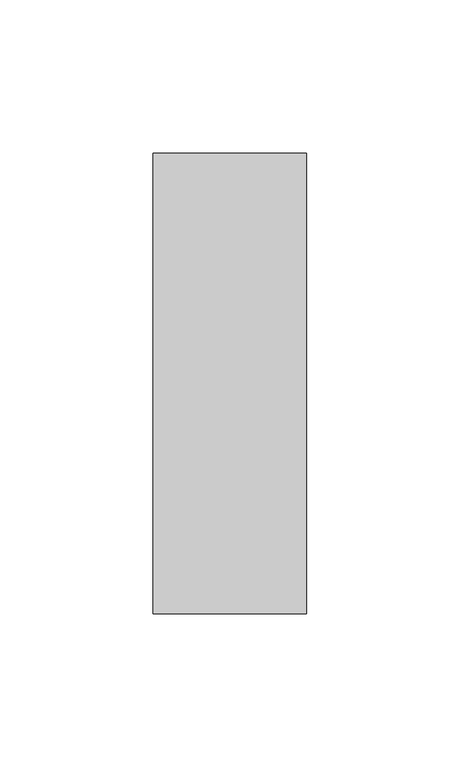
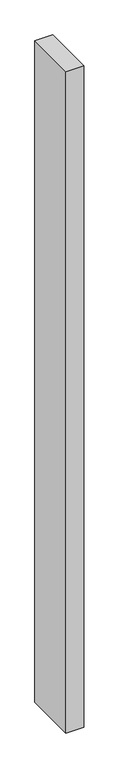
"""IFC4 building model written with IfcOpenShell, lengths in millimetres: member geometry."""

import ifcopenshell
import ifcopenshell.guid

model = None  # the IFC model being written
_history = None  # IfcOwnerHistory: only IFC2X3 demands one
_inside = {}  # id of a spatial element -> (the spatial element, [elements in it])
_under = {}  # id of a project, library or spatial element -> (it, [spatial elements below it])
_declared = {}  # id of a project -> (the project, [libraries it declares])
_typed = {}  # id of a type object -> (the type object, [elements of that type])
_made_of = {}  # id of a material, layer set ... -> (it, [elements and type objects made of it])


def new_model(schema):
    """Start an empty IFC model of exactly this schema.

    Asked for "IFC4X3", IfcOpenShell would pick the latest addendum, in which some entities
    have other attributes; the version numbers below select the first issue.
    IFC2X3 requires an IfcOwnerHistory on every rooted entity: one is made here for all.
    """
    global model, _history
    if schema == "IFC4X3":
        model = ifcopenshell.file(schema_version=(4, 3, 0, 0))
    else:
        model = ifcopenshell.file(schema=schema)
    _inside.clear()
    _under.clear()
    _declared.clear()
    _typed.clear()
    _made_of.clear()
    _history = None
    if model.schema == "IFC2X3":
        org = make("IfcOrganization", Name="unknown")
        user = make(
            "IfcPersonAndOrganization",
            ThePerson=make("IfcPerson", FamilyName="unknown"),
            TheOrganization=org,
        )
        app = make(
            "IfcApplication",
            ApplicationDeveloper=org,
            Version="unknown",
            ApplicationFullName="unknown",
            ApplicationIdentifier="unknown",
        )
        _history = make(
            "IfcOwnerHistory",
            OwningUser=user,
            OwningApplication=app,
            ChangeAction="ADDED",
            CreationDate=0,
        )
    return model


def make(cls, **values):
    """One entity of the class cls with the attributes given. An attribute that is None is left unset."""
    return model.create_entity(
        cls, **{name: value for name, value in values.items() if value is not None}
    )


def rooted(cls, **values):
    """An entity with a GlobalId (a new one), such as an element, a storey or a relation."""
    return make(cls, GlobalId=ifcopenshell.guid.new(), OwnerHistory=_history, **values)


def si_unit(unit_type, name, prefix=None):
    """IfcSIUnit, for example si_unit("LENGTHUNIT", "METRE", prefix="MILLI")."""
    return make("IfcSIUnit", UnitType=unit_type, Prefix=prefix, Name=name)


def assignment(units):
    """IfcUnitAssignment: the units of a project."""
    return None if units is None else make("IfcUnitAssignment", Units=units)


def point(xyz):
    """IfcCartesianPoint."""
    return None if xyz is None else make("IfcCartesianPoint", Coordinates=xyz)


def direction(xyz):
    """IfcDirection."""
    return None if xyz is None else make("IfcDirection", DirectionRatios=xyz)


def frame(location, z_axis=None, x_axis=None):
    """IfcAxis2Placement3D, a coordinate frame: its origin and axes. An axis left out is left unset."""
    return make(
        "IfcAxis2Placement3D",
        Location=point(location),
        Axis=direction(z_axis),
        RefDirection=direction(x_axis),
    )


def origin():
    """The frame at (0, 0, 0) with its axes left unset."""
    return frame((0.0, 0.0, 0.0))


def place(relative_to, where):
    """IfcLocalPlacement: puts the frame where relative to a parent placement (None: the world)."""
    return make(
        "IfcLocalPlacement", PlacementRelTo=relative_to, RelativePlacement=where
    )


def context(
    kind, dimensions, precision=None, world=None, true_north=None, identifier=None
):
    """IfcGeometricRepresentationContext, for example the 3D "Model" context."""
    return make(
        "IfcGeometricRepresentationContext",
        ContextIdentifier=identifier,
        ContextType=kind,
        CoordinateSpaceDimension=dimensions,
        Precision=precision,
        WorldCoordinateSystem=world,
        TrueNorth=true_north,
    )


def project(units=None, contexts=None):
    """IfcProject with its units and contexts."""
    return rooted(
        "IfcProject",
        Name="project",
        RepresentationContexts=contexts,
        UnitsInContext=assignment(units),
    )


def spatial(cls, under=None, at=None, **own):
    """A site, building, storey or space (cls), placed at a placement, below another one or the project."""
    s = rooted(cls, ObjectPlacement=at, **own)
    if under is not None:
        _under.setdefault(under.id(), (under, []))[1].append(s)
    return s


def polyline(points):
    """IfcPolyline through the points."""
    return make("IfcPolyline", Points=[point(p) for p in points])


def outline(outer, holes=None, kind="AREA"):
    """IfcArbitraryClosedProfileDef: a profile drawn as a closed curve; with holes, ...WithVoids."""
    if holes is None:
        return make("IfcArbitraryClosedProfileDef", ProfileType=kind, OuterCurve=outer)
    return make(
        "IfcArbitraryProfileDefWithVoids",
        ProfileType=kind,
        OuterCurve=outer,
        InnerCurves=holes,
    )


def extrude(swept, where, along, depth):
    """IfcExtrudedAreaSolid: the profile swept, set in the frame where, extruded along a direction by depth."""
    return make(
        "IfcExtrudedAreaSolid",
        SweptArea=swept,
        Position=where,
        ExtrudedDirection=direction(along),
        Depth=depth,
    )


def shape(context_of_items, identifier, shape_type, items):
    """IfcShapeRepresentation: the items that make up one representation, for example the "Body"."""
    return make(
        "IfcShapeRepresentation",
        ContextOfItems=context_of_items,
        RepresentationIdentifier=identifier,
        RepresentationType=shape_type,
        Items=items,
    )


def source(mapping_origin, context_of_items, identifier, shape_type, items):
    """IfcRepresentationMap: a shape defined once, which mapped items show again and again."""
    return make(
        "IfcRepresentationMap",
        MappingOrigin=mapping_origin,
        MappedRepresentation=shape(context_of_items, identifier, shape_type, items),
    )


def transform(
    local_origin,
    x_axis=None,
    y_axis=None,
    z_axis=None,
    scale=None,
    scale2=None,
    scale3=None,
    uniform=True,
):
    """IfcCartesianTransformationOperator3D, or its non-uniform kind. x_axis, y_axis, z_axis: its Axis1, 2, 3."""
    if uniform:
        return make(
            "IfcCartesianTransformationOperator3D",
            Axis1=direction(x_axis),
            Axis2=direction(y_axis),
            LocalOrigin=point(local_origin),
            Scale=scale,
            Axis3=direction(z_axis),
        )
    return make(
        "IfcCartesianTransformationOperator3DnonUniform",
        Axis1=direction(x_axis),
        Axis2=direction(y_axis),
        LocalOrigin=point(local_origin),
        Scale=scale,
        Axis3=direction(z_axis),
        Scale2=scale2,
        Scale3=scale3,
    )


def mapped(mapping_source, mapping_target):
    """IfcMappedItem: shows the shape of a source again, moved by a transform."""
    return make(
        "IfcMappedItem", MappingSource=mapping_source, MappingTarget=mapping_target
    )


def made_of(thing, what):
    """Note that an element or type object is made of a material, layer set ...; save() writes the relation."""
    if what is not None:
        _made_of.setdefault(what.id(), (what, []))[1].append(thing)
    return thing


def element(
    cls,
    number,
    at=None,
    inside=None,
    cuts=None,
    type_object=None,
    material=None,
    context=None,
    identifier="Body",
    shape_type=None,
    held_by="IfcProductDefinitionShape",
    body=None,
    shapes=None,
    **own,
):
    """One element of the class cls, such as IfcWall. Its Tag is "e" and its number.

    at: its placement. inside: the storey or other place that contains it. cuts: it is an
    opening in that element (IfcRelVoidsElement). A single representation is given by context,
    identifier, shape_type and body (its items); several are given by shapes. held_by: the class
    of the entity that holds the representations. save() writes the other relations.
    """
    e = rooted(cls, Tag="e%d" % number, ObjectPlacement=at, **own)
    if body is not None:
        shapes = [shape(context, identifier, shape_type, body)]
    if shapes is not None:
        e.Representation = make(held_by, Representations=shapes)
    if inside is not None:
        _inside.setdefault(inside.id(), (inside, []))[1].append(e)
    if cuts is not None:
        rooted(
            "IfcRelVoidsElement", RelatingBuildingElement=cuts, RelatedOpeningElement=e
        )
    if type_object is not None:
        _typed.setdefault(type_object.id(), (type_object, []))[1].append(e)
    return made_of(e, material)


def aggregate(whole, parts):
    """IfcRelAggregates: a whole, such as a stair, and the parts it consists of."""
    return rooted("IfcRelAggregates", RelatingObject=whole, RelatedObjects=parts)


def save(model, path):
    """Write the relations noted so far, then the file.

    IfcRelAggregates (storeys below a building ...), IfcRelContainedInSpatialStructure (elements
    in a storey), IfcRelDefinesByType, IfcRelAssociatesMaterial and IfcRelDeclares: one each for
    every whole, place, type object, material and project.
    """
    for whole, parts in _under.values():
        aggregate(whole, parts)
    for where, things in _inside.values():
        rooted(
            "IfcRelContainedInSpatialStructure",
            RelatedElements=things,
            RelatingStructure=where,
        )
    for kind, things in _typed.values():
        rooted("IfcRelDefinesByType", RelatedObjects=things, RelatingType=kind)
    for what, things in _made_of.values():
        rooted("IfcRelAssociatesMaterial", RelatedObjects=things, RelatingMaterial=what)
    for by, libraries in _declared.values():
        rooted("IfcRelDeclares", RelatingContext=by, RelatedDefinitions=libraries)
    model.write(path)


def member_e1845f1f(model_context):
    return source(origin(), model_context, "Body", "SweptSolid", [
        extrude(outline(polyline([(0.0, 75.0), (0.0, -75.0), (-50.0, -75.0), (-50.0, 75.0), (0.0, 75.0)])), frame((0.0, 0.0, -1950.0), z_axis=(0.0, 0.0, 1.0), x_axis=(1.0, 0.0, 0.0)), (0.0, 0.0, 1.0), 1950.0),
    ])


if __name__ == "__main__":
    model = new_model("IFC4")
    model_context = context("Model", 3, world=origin())
    ifc_project = project(units=[si_unit("LENGTHUNIT", "METRE", prefix="MILLI")], contexts=[model_context])
    site = spatial("IfcSite", under=ifc_project)
    building = spatial("IfcBuilding", under=site)
    placement = place(None, origin())
    member_shape = member_e1845f1f(model_context)
    element("IfcMember", 1, at=placement, inside=building, context=model_context, shape_type="MappedRepresentation", body=[
        mapped(member_shape, transform((0.0, 0.0, 0.0), x_axis=(1.0, 0.0, 0.0), y_axis=(0.0, 1.0, 0.0), z_axis=(0.0, 0.0, 1.0))),
    ])
    save(model, "model.ifc")
